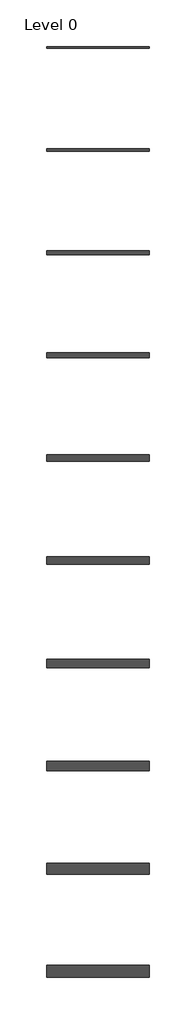
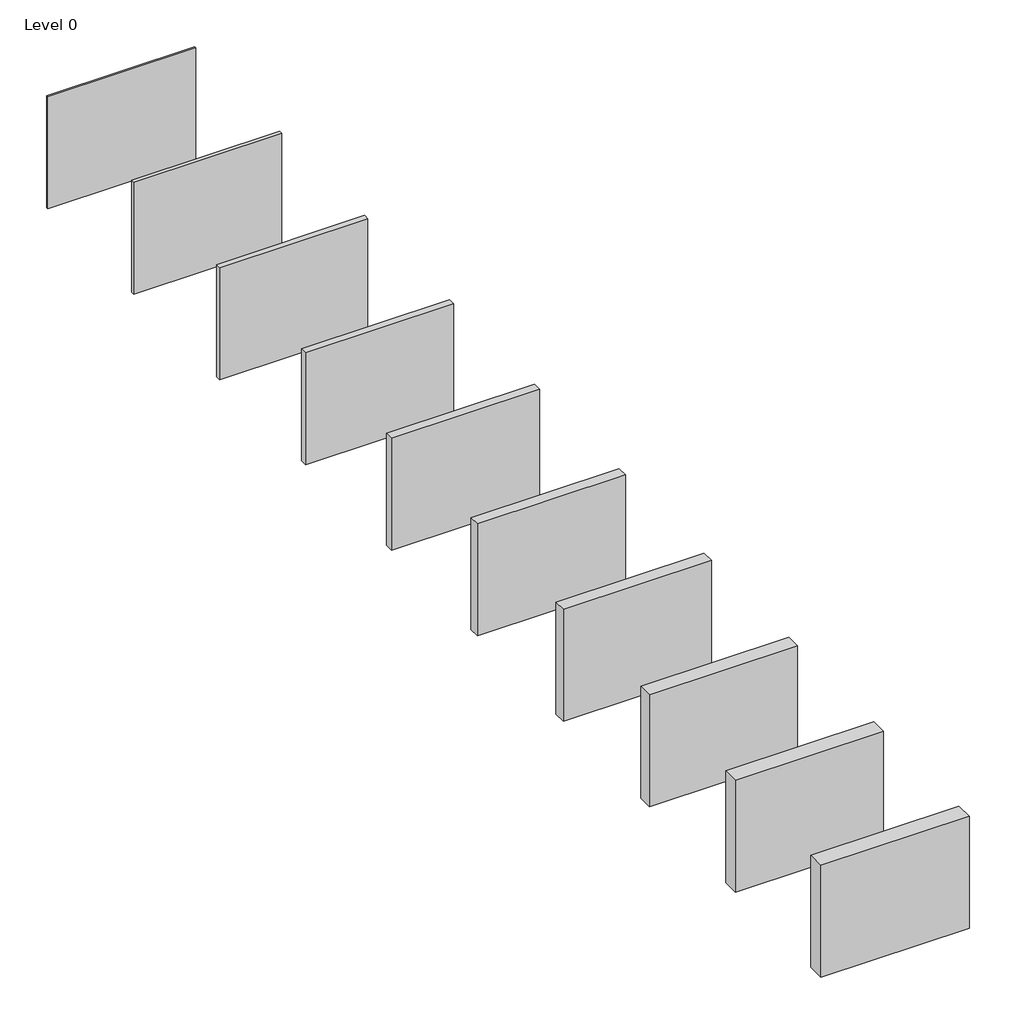
# One storey: 10 members.
"""IFC4 building model written with IfcOpenShell, lengths in millimetres."""

from ifc_helpers import new_model, si_unit, origin, origin_with_axes, place, context, project, spatial, polyline, outline, extrude, element, save

model = new_model("IFC4")

# Units and contexts
model_context = context("Model", 3, world=origin())
ifc_project = project(units=[si_unit("LENGTHUNIT", "METRE", prefix="MILLI")], contexts=[model_context])

# Site, building, storey
site = spatial("IfcSite", under=ifc_project)
building = spatial("IfcBuilding", under=site)
storey = spatial("IfcBuildingStorey", under=building, Name="Level 0", Elevation=0.0)

# Members
placement = place(None, origin())
element("IfcMember", 1, at=placement, inside=storey, context=model_context, shape_type="SweptSolid", body=[
    extrude(outline(polyline([(2258.592582, 6140.012889), (4758.592582, 6140.012889), (4758.592582, 6100.012889), (2258.592582, 6100.012889), (2258.592582, 6140.012889)])), origin_with_axes(), (0.0, 0.0, 1.0), 2000.0),
])
element("IfcMember", 2, at=placement, inside=storey, context=model_context, shape_type="SweptSolid", body=[
    extrude(outline(polyline([(2258.592582, 3650.012889), (4758.592582, 3650.012889), (4758.592582, 3590.012889), (2258.592582, 3590.012889), (2258.592582, 3650.012889)])), origin_with_axes(), (0.0, 0.0, 1.0), 2000.0),
])
element("IfcMember", 3, at=placement, inside=storey, context=model_context, shape_type="SweptSolid", body=[
    extrude(outline(polyline([(2258.592582, 1165.012889), (4758.592582, 1165.012889), (4758.592582, 1075.012889), (2258.592582, 1075.012889), (2258.592582, 1165.012889)])), origin_with_axes(), (0.0, 0.0, 1.0), 2000.0),
])
element("IfcMember", 4, at=placement, inside=storey, context=model_context, shape_type="SweptSolid", body=[
    extrude(outline(polyline([(2258.592582, -1319.987111), (4758.592582, -1319.987111), (4758.592582, -1439.987111), (2258.592582, -1439.987111), (2258.592582, -1319.987111)])), origin_with_axes(), (0.0, 0.0, 1.0), 2000.0),
])
element("IfcMember", 5, at=placement, inside=storey, context=model_context, shape_type="SweptSolid", body=[
    extrude(outline(polyline([(2258.592582, -3804.987111), (4758.592582, -3804.987111), (4758.592582, -3954.987111), (2258.592582, -3954.987111), (2258.592582, -3804.987111)])), origin_with_axes(), (0.0, 0.0, 1.0), 2000.0),
])
element("IfcMember", 6, at=placement, inside=storey, context=model_context, shape_type="SweptSolid", body=[
    extrude(outline(polyline([(2258.592582, -6289.987111), (4758.592582, -6289.987111), (4758.592582, -6469.987111), (2258.592582, -6469.987111), (2258.592582, -6289.987111)])), origin_with_axes(), (0.0, 0.0, 1.0), 2000.0),
])
element("IfcMember", 7, at=placement, inside=storey, context=model_context, shape_type="SweptSolid", body=[
    extrude(outline(polyline([(2258.592582, -8774.987111), (4758.592582, -8774.987111), (4758.592582, -8984.987111), (2258.592582, -8984.987111), (2258.592582, -8774.987111)])), origin_with_axes(), (0.0, 0.0, 1.0), 2000.0),
])
element("IfcMember", 8, at=placement, inside=storey, context=model_context, shape_type="SweptSolid", body=[
    extrude(outline(polyline([(2258.592582, -11259.987111), (4758.592582, -11259.987111), (4758.592582, -11499.987111), (2258.592582, -11499.987111), (2258.592582, -11259.987111)])), origin_with_axes(), (0.0, 0.0, 1.0), 2000.0),
])
element("IfcMember", 9, at=placement, inside=storey, context=model_context, shape_type="SweptSolid", body=[
    extrude(outline(polyline([(2258.592582, -13744.987111), (4758.592582, -13744.987111), (4758.592582, -14014.987111), (2258.592582, -14014.987111), (2258.592582, -13744.987111)])), origin_with_axes(), (0.0, 0.0, 1.0), 2000.0),
])
element("IfcMember", 10, at=placement, inside=storey, context=model_context, shape_type="SweptSolid", body=[
    extrude(outline(polyline([(2258.592582, -16229.987111), (4758.592582, -16229.987111), (4758.592582, -16529.987111), (2258.592582, -16529.987111), (2258.592582, -16229.987111)])), origin_with_axes(), (0.0, 0.0, 1.0), 2000.0),
])

save(model, "model.ifc")
